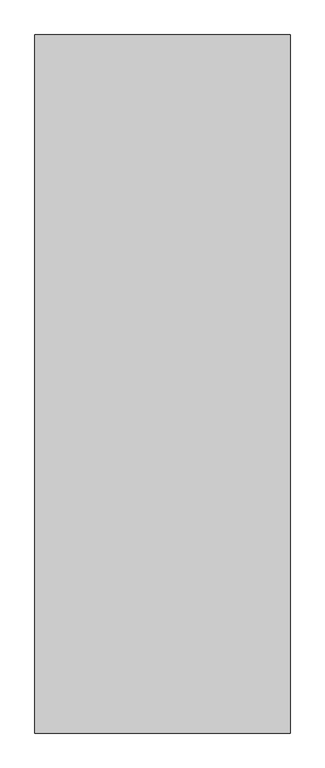
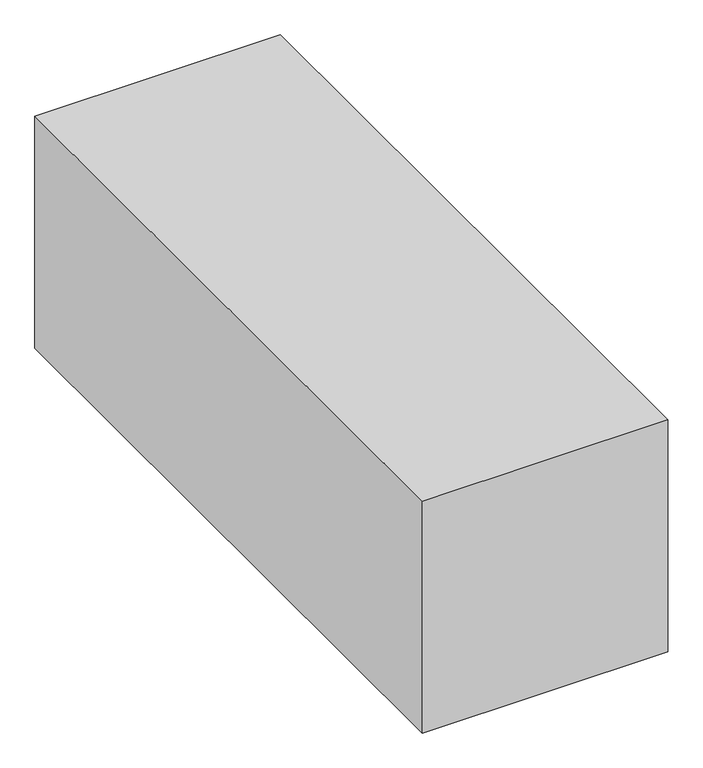
"""IFC4 building model written with IfcOpenShell, lengths in millimetres: proxy geometry."""

from ifc_helpers import new_model, si_unit, frame, origin, place, context, project, spatial, polyline, outline, extrude, source, transform, mapped, element, save


def generic_models_75cb1eb5(model_context):
    return source(origin(), model_context, "Body", "SweptSolid", [
        extrude(outline(polyline([(0.0, 0.0), (0.0, 2882.3979249), (1053.3106793, 2882.3979249), (1053.3106793, 0.0), (0.0, 0.0)])), frame((0.0, 0.0, -276.6553396), z_axis=(0.0, 0.0, 1.0), x_axis=(1.0, 0.0, 0.0)), (0.0, 0.0, 1.0), 1053.3106793),
    ])


if __name__ == "__main__":
    model = new_model("IFC4")
    model_context = context("Model", 3, world=origin())
    ifc_project = project(units=[si_unit("LENGTHUNIT", "METRE", prefix="MILLI")], contexts=[model_context])
    site = spatial("IfcSite", under=ifc_project)
    building = spatial("IfcBuilding", under=site)
    placement = place(None, origin())
    generic_models_shape = generic_models_75cb1eb5(model_context)
    element("IfcBuildingElementProxy", 1, Name="Generic Models", at=placement, inside=building, context=model_context, shape_type="MappedRepresentation", body=[
        mapped(generic_models_shape, transform((0.0, 0.0, 0.0), x_axis=(1.0, 0.0, 0.0), y_axis=(0.0, 1.0, 0.0), z_axis=(0.0, 0.0, 1.0))),
    ])
    save(model, "model.ifc")
